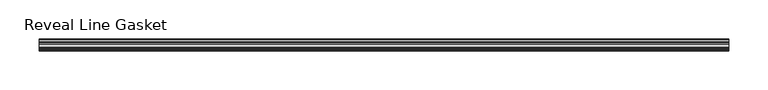
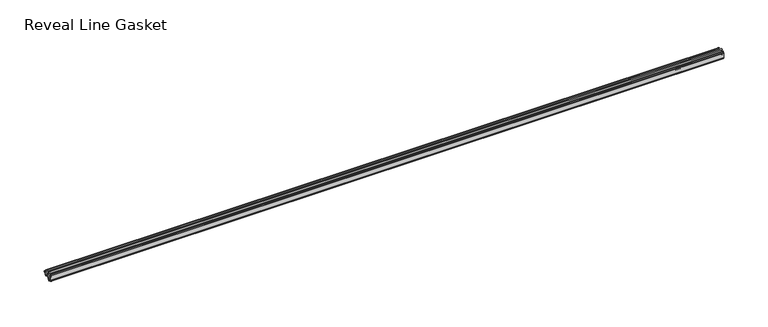
"""IFC4 building model written with IfcOpenShell, lengths in millimetres: furniture geometry, Reveal Line Gasket."""

from ifc_helpers import new_model, si_unit, point, frame, frame_2d, origin, place, context, project, spatial, polyline, circle_curve, trimmed, segment, composite_curve, outline, extrude, source, transform, mapped, element, save


def reveal_line_gasket_c02b8135(model_context):
    return source(origin(), model_context, "Body", "SweptSolid", [
        extrude(outline(composite_curve([segment(polyline([(-7.6326998, 1603.2), (-7.4091917, 1604.1554927), (-6.8813059, 1605.0884684)]), True, "CONTINUOUS"), segment(trimmed(circle_curve(frame_2d((-6.5243141, 1604.8864793)), 0.4101739), [point((-6.8813059, 1605.0884684))], [point((-6.1246704, 1604.7941347))], False, "CARTESIAN"), True, "CONTINUOUS"), segment(polyline([(-6.1246704, 1604.7941347), (-6.3626997, 1603.0979086), (-6.3626997, 1601.0654527)]), True, "CONTINUOUS"), segment(trimmed(circle_curve(frame_2d((-5.6959605, 1601.4819258)), 0.786124), [point((-6.3626997, 1601.0654527))], [point((-5.0926996, 1600.977875))], True, "CARTESIAN"), True, "CONTINUOUS"), segment(polyline([(-5.0926996, 1600.977875), (-0.7492996, 1600.977875), (-3.7293824, 1606.1395295)]), True, "CONTINUOUS"), segment(trimmed(circle_curve(frame_2d((-3.3132479, 1606.2049761)), 0.4212495), [point((-3.7293824, 1606.1395295))], [point((-3.0485022, 1606.5326358))], False, "CARTESIAN"), True, "CONTINUOUS"), segment(polyline([(-3.0485022, 1606.5326358), (0.5742594, 1600.977875), (4.8262978, 1600.977875), (3.1660374, 1603.8535297)]), True, "CONTINUOUS"), segment(trimmed(circle_curve(frame_2d((3.5978728, 1603.9118855)), 0.4357605), [point((3.1660374, 1603.8535297))], [point((3.864328, 1604.2566881))], False, "CARTESIAN"), True, "CONTINUOUS"), segment(polyline([(3.864328, 1604.2566881), (6.1944059, 1600.977875), (7.6326998, 1600.977875), (7.6326998, 1599.422125), (6.1944059, 1599.422125), (3.864328, 1596.1433119)]), True, "CONTINUOUS"), segment(trimmed(circle_curve(frame_2d((3.5978728, 1596.4881145)), 0.4357605), [point((3.864328, 1596.1433119))], [point((3.1660374, 1596.5464703))], False, "CARTESIAN"), True, "CONTINUOUS"), segment(polyline([(3.1660374, 1596.5464703), (4.8262978, 1599.422125), (0.5742594, 1599.422125), (-3.0485022, 1593.8673642)]), True, "CONTINUOUS"), segment(trimmed(circle_curve(frame_2d((-3.3132479, 1594.1950239)), 0.4212495), [point((-3.0485022, 1593.8673642))], [point((-3.7293824, 1594.2604705))], False, "CARTESIAN"), True, "CONTINUOUS"), segment(polyline([(-3.7293824, 1594.2604705), (-0.7492996, 1599.422125), (-5.0926996, 1599.422125)]), True, "CONTINUOUS"), segment(trimmed(circle_curve(frame_2d((-5.6959605, 1598.9180742)), 0.786124), [point((-5.0926996, 1599.422125))], [point((-6.3626997, 1599.3345473))], True, "CARTESIAN"), True, "CONTINUOUS"), segment(polyline([(-6.3626997, 1599.3345473), (-6.3626997, 1597.3020914), (-6.1246704, 1595.6058653)]), True, "CONTINUOUS"), segment(trimmed(circle_curve(frame_2d((-6.5243141, 1595.5135207)), 0.4101739), [point((-6.1246704, 1595.6058653))], [point((-6.8813059, 1595.3115316))], False, "CARTESIAN"), True, "CONTINUOUS"), segment(polyline([(-6.8813059, 1595.3115316), (-7.4091917, 1596.2445073), (-7.6326998, 1597.2), (-7.6326998, 1603.2)]), True, "CONTINUOUS")], self_intersect=False)), frame((-439.5049898, 0.0, 0.0), z_axis=(1.0, 0.0, 0.0), x_axis=(0.0, 1.0, 0.0)), (0.0, 0.0, 1.0), 879.0099795),
    ])


if __name__ == "__main__":
    model = new_model("IFC4")
    model_context = context("Model", 3, world=origin())
    ifc_project = project(units=[si_unit("LENGTHUNIT", "METRE", prefix="MILLI")], contexts=[model_context])
    site = spatial("IfcSite", under=ifc_project)
    building = spatial("IfcBuilding", under=site)
    placement = place(None, origin())
    reveal_line_gasket_shape = reveal_line_gasket_c02b8135(model_context)
    element("IfcFurniture", 1, ObjectType="Reveal Line Gasket", at=placement, inside=building, context=model_context, shape_type="MappedRepresentation", body=[
        mapped(reveal_line_gasket_shape, transform((0.0, 0.0, 0.0), x_axis=(1.0, 0.0, 0.0), y_axis=(0.0, 1.0, 0.0), z_axis=(0.0, 0.0, 1.0))),
    ])
    save(model, "model.ifc")
